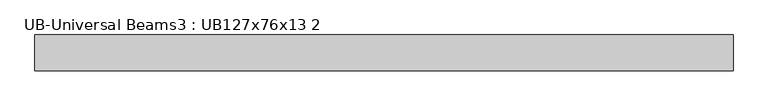
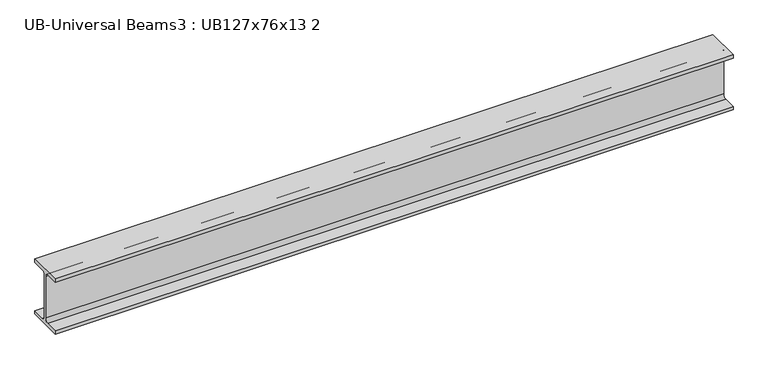
"""IFC4 building model written with IfcOpenShell, lengths in millimetres: beam geometry, UB-Universal Beams3 : UB127x76x13 2."""

from ifc_helpers import new_model, si_unit, point, frame, frame_2d, origin, place, context, project, spatial, polyline, circle_curve, trimmed, segment, composite_curve, outline, extrude, source, transform, mapped, element, save


def ub_universal_beams3_ub127x76x13_2_b885ad82(model_context):
    return source(origin(), model_context, "Body", "SweptSolid", [
        extrude(outline(composite_curve([segment(polyline([(38.1, -55.9), (38.1, -63.5), (-38.1, -63.5), (-38.1, -55.9), (-9.7, -55.9)]), True, "CONTINUOUS"), segment(trimmed(circle_curve(frame_2d((-9.7, -48.3)), 7.6), [point((-9.7, -55.9))], [point((-2.1, -48.3))], True, "CARTESIAN"), True, "CONTINUOUS"), segment(polyline([(-2.1, -48.3), (-2.1, 48.3)]), True, "CONTINUOUS"), segment(trimmed(circle_curve(frame_2d((-9.7, 48.3)), 7.6), [point((-2.1, 48.3))], [point((-9.7, 55.9))], True, "CARTESIAN"), True, "CONTINUOUS"), segment(polyline([(-9.7, 55.9), (-38.1, 55.9), (-38.1, 63.5), (38.1, 63.5), (38.1, 55.9), (9.7, 55.9)]), True, "CONTINUOUS"), segment(trimmed(circle_curve(frame_2d((9.7, 48.3)), 7.6), [point((9.7, 55.9))], [point((2.1, 48.3))], True, "CARTESIAN"), True, "CONTINUOUS"), segment(polyline([(2.1, 48.3), (2.1, -48.3)]), True, "CONTINUOUS"), segment(trimmed(circle_curve(frame_2d((9.7, -48.3)), 7.6), [point((2.1, -48.3))], [point((9.7, -55.9))], True, "CARTESIAN"), True, "CONTINUOUS"), segment(polyline([(9.7, -55.9), (38.1, -55.9)]), True, "CONTINUOUS")], self_intersect=False)), frame((-739.7, 0.0, 0.0), z_axis=(1.0, 0.0, 0.0), x_axis=(0.0, 1.0, 0.0)), (0.0, 0.0, 1.0), 1479.4),
    ])


if __name__ == "__main__":
    model = new_model("IFC4")
    model_context = context("Model", 3, world=origin())
    ifc_project = project(units=[si_unit("LENGTHUNIT", "METRE", prefix="MILLI")], contexts=[model_context])
    site = spatial("IfcSite", under=ifc_project)
    building = spatial("IfcBuilding", under=site)
    placement = place(None, origin())
    ub_universal_beams3_ub127x76x13_2_shape = ub_universal_beams3_ub127x76x13_2_b885ad82(model_context)
    element("IfcBeam", 1, ObjectType="UB-Universal Beams3 : UB127x76x13 2", at=placement, inside=building, context=model_context, shape_type="MappedRepresentation", body=[
        mapped(ub_universal_beams3_ub127x76x13_2_shape, transform((0.0, 0.0, 0.0), x_axis=(1.0, 0.0, 0.0), y_axis=(0.0, 1.0, 0.0), z_axis=(0.0, 0.0, 1.0))),
    ])
    save(model, "model.ifc")
